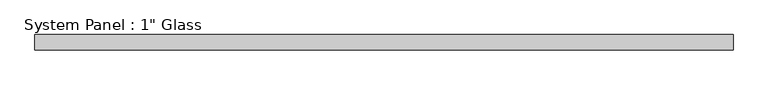
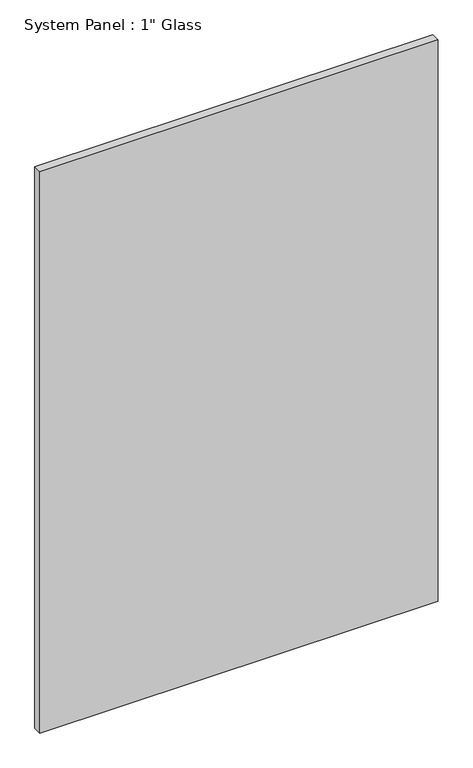
"""IFC4 building model written with IfcOpenShell, lengths in millimetres: plate geometry."""

from ifc_helpers import new_model, si_unit, origin, origin_with_axes, place, context, project, spatial, polyline, outline, extrude, source, transform, mapped, element, save


def plate_920bd780(model_context):
    return source(origin(), model_context, "Body", "SweptSolid", [
        extrude(outline(polyline([(583.9401585, -12.7), (-583.9401585, -12.7), (-583.9401585, 12.7), (583.9401585, 12.7), (583.9401585, -12.7)])), origin_with_axes(), (0.0, 0.0, 1.0), 1739.9),
    ])


if __name__ == "__main__":
    model = new_model("IFC4")
    model_context = context("Model", 3, world=origin())
    ifc_project = project(units=[si_unit("LENGTHUNIT", "METRE", prefix="MILLI")], contexts=[model_context])
    site = spatial("IfcSite", under=ifc_project)
    building = spatial("IfcBuilding", under=site)
    placement = place(None, origin())
    plate_shape = plate_920bd780(model_context)
    element("IfcPlate", 1, ObjectType="System Panel : 1\" Glass", at=placement, inside=building, context=model_context, shape_type="MappedRepresentation", body=[
        mapped(plate_shape, transform((0.0, 0.0, 0.0), x_axis=(1.0, 0.0, 0.0), y_axis=(0.0, 1.0, 0.0), z_axis=(0.0, 0.0, 1.0))),
    ])
    save(model, "model.ifc")
